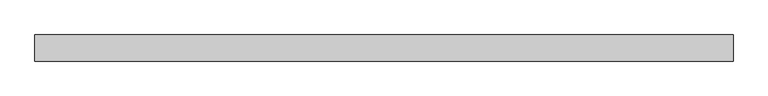
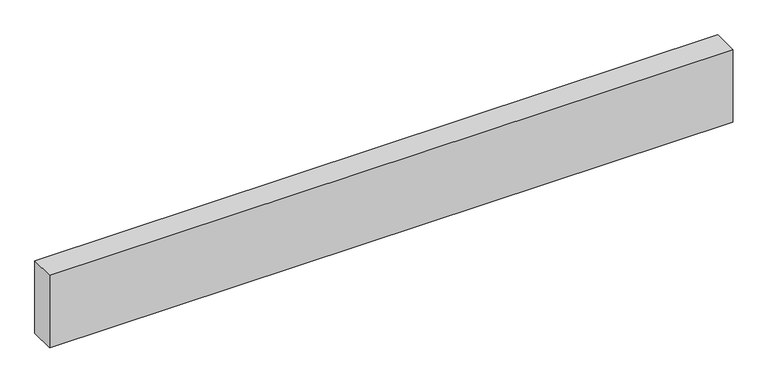
"""IFC4 building model written with IfcOpenShell, lengths in millimetres: proxy geometry."""

from ifc_helpers import new_model, si_unit, origin, origin_with_axes, place, context, project, spatial, polyline, outline, extrude, source, transform, mapped, element, save


def generic_models_94be1e2b(model_context):
    return source(origin(), model_context, "Body", "SweptSolid", [
        extrude(outline(polyline([(2673.5884872, 0.0), (2673.5884872, -100.0), (0.0, -100.0), (0.0, 0.0), (2673.5884872, 0.0)])), origin_with_axes(), (0.0, 0.0, 1.0), 300.0),
    ])


if __name__ == "__main__":
    model = new_model("IFC4")
    model_context = context("Model", 3, world=origin())
    ifc_project = project(units=[si_unit("LENGTHUNIT", "METRE", prefix="MILLI")], contexts=[model_context])
    site = spatial("IfcSite", under=ifc_project)
    building = spatial("IfcBuilding", under=site)
    placement = place(None, origin())
    generic_models_shape = generic_models_94be1e2b(model_context)
    element("IfcBuildingElementProxy", 1, Name="Generic Models", at=placement, inside=building, context=model_context, shape_type="MappedRepresentation", body=[
        mapped(generic_models_shape, transform((0.0, 0.0, 0.0), x_axis=(1.0, 0.0, 0.0), y_axis=(0.0, 1.0, 0.0), z_axis=(0.0, 0.0, 1.0))),
    ])
    save(model, "model.ifc")
